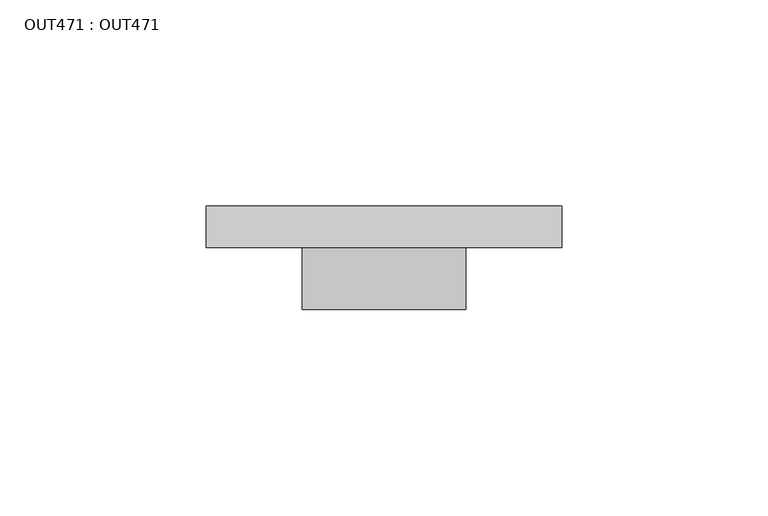
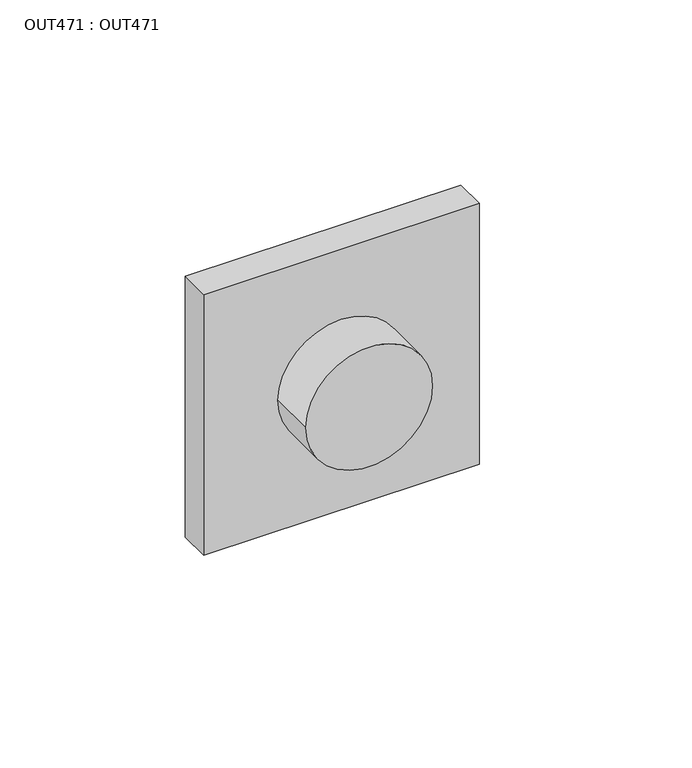
"""IFC4 building model written with IfcOpenShell, lengths in millimetres: proxy geometry, OUT471 : OUT471."""

from ifc_helpers import new_model, si_unit, point, frame, origin, origin_2d, place, context, project, spatial, polyline, circle_curve, trimmed, segment, composite_curve, outline, extrude, source, transform, mapped, element, save


def out471_out471_d4fdc8eb(model_context):
    return source(origin(), model_context, "Body", "SweptSolid", [
        extrude(outline(composite_curve([segment(trimmed(circle_curve(origin_2d(), 19.7684905), [point((0.0, -19.7684905))], [point((0.0, 19.7684905))], False, "CARTESIAN"), True, "CONTINUOUS"), segment(trimmed(circle_curve(origin_2d(), 19.7684905), [point((0.0, 19.7684905))], [point((0.0, -19.7684905))], False, "CARTESIAN"), True, "CONTINUOUS")], self_intersect=False)), frame((0.0, -25.0000002, 0.0), z_axis=(0.0, 1.0, 0.0), x_axis=(0.0, 0.0, 1.0)), (0.0, 0.0, 1.0), 14.9999997),
        extrude(outline(polyline([(43.0000007, 0.0), (43.0000007, -10.0000005), (-43.0000007, -10.0000005), (-43.0000007, 0.0), (43.0000007, 0.0)])), frame((0.0, 0.0, -43.0000007), z_axis=(0.0, 0.0, 1.0), x_axis=(1.0, 0.0, 0.0)), (0.0, 0.0, 1.0), 86.0000014),
    ])


if __name__ == "__main__":
    model = new_model("IFC4")
    model_context = context("Model", 3, world=origin())
    ifc_project = project(units=[si_unit("LENGTHUNIT", "METRE", prefix="MILLI")], contexts=[model_context])
    site = spatial("IfcSite", under=ifc_project)
    building = spatial("IfcBuilding", under=site)
    placement = place(None, origin())
    out471_out471_shape = out471_out471_d4fdc8eb(model_context)
    element("IfcBuildingElementProxy", 1, Name="OUT471 : OUT471", ObjectType="OUT471 : OUT471", at=placement, inside=building, context=model_context, shape_type="MappedRepresentation", body=[
        mapped(out471_out471_shape, transform((0.0, 0.0, 0.0), x_axis=(1.0, 0.0, 0.0), y_axis=(0.0, 1.0, 0.0), z_axis=(0.0, 0.0, 1.0))),
    ])
    save(model, "model.ifc")
